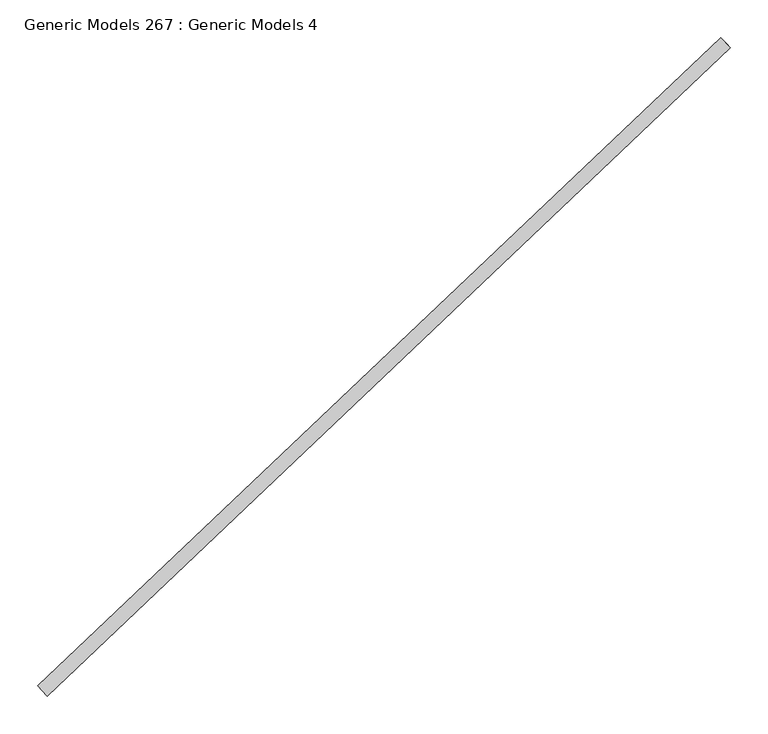
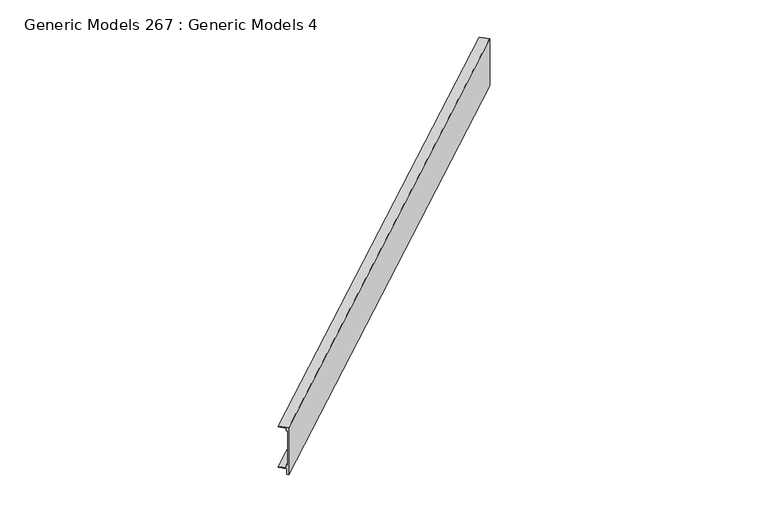
"""IFC4 building model written with IfcOpenShell, lengths in millimetres: proxy geometry, Generic Models 267 : Generic Models 4."""

from ifc_helpers import new_model, si_unit, frame, origin, place, context, project, spatial, polyline, outline, extrude, source, transform, mapped, element, save


def generic_models_267_generic_models_4_7d298a24(model_context):
    return source(origin(), model_context, "Body", "SweptSolid", [
        extrude(outline(polyline([(101.6, 0.0), (101.6, -19.05), (100.076, -19.05), (100.076, -4.572), (94.44736, -4.572), (94.44736, -3.048), (96.09836, -3.048), (96.09836, -1.524), (18.2118, -1.524), (18.2118, -3.048), (19.8628, -3.048), (19.8628, -4.572), (14.224, -4.572), (14.224, -19.05), (12.7, -19.05), (12.7, -3.6830001), (0.0, -3.6830001), (0.0, 0.0), (101.6, 0.0)])), frame((101790.1561748, 42764.8118363, 16469.9475603), z_axis=(0.7253743710121912, 0.6883545756938556, 0.0), x_axis=(0.0, 0.0, 1.0)), (0.0, 0.0, 1.0), 1252.5375),
    ])


if __name__ == "__main__":
    model = new_model("IFC4")
    model_context = context("Model", 3, world=origin())
    ifc_project = project(units=[si_unit("LENGTHUNIT", "METRE", prefix="MILLI")], contexts=[model_context])
    site = spatial("IfcSite", under=ifc_project)
    building = spatial("IfcBuilding", under=site)
    placement = place(None, origin())
    generic_models_267_generic_models_4_shape = generic_models_267_generic_models_4_7d298a24(model_context)
    element("IfcBuildingElementProxy", 1, Name="Generic Models 267 : Generic Models 4", ObjectType="Generic Models 267 : Generic Models 4", at=placement, inside=building, context=model_context, shape_type="MappedRepresentation", body=[
        mapped(generic_models_267_generic_models_4_shape, transform((0.0, 0.0, 0.0), x_axis=(1.0, 0.0, 0.0), y_axis=(0.0, 1.0, 0.0), z_axis=(0.0, 0.0, 1.0))),
    ])
    save(model, "model.ifc")
